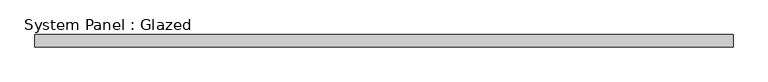
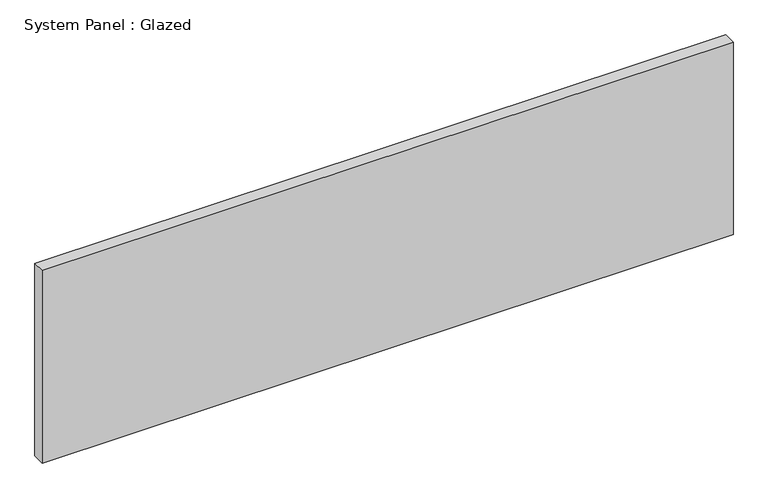
"""IFC4 building model written with IfcOpenShell, lengths in millimetres: plate geometry, System Panel : Glazed."""

from ifc_helpers import new_model, si_unit, origin, origin_with_axes, place, context, project, spatial, polyline, outline, extrude, source, transform, mapped, element, save


def system_panel_glazed_09302ae7(model_context):
    return source(origin(), model_context, "Body", "SweptSolid", [
        extrude(outline(polyline([(695.3333333, -49.5), (-695.3333333, -49.5), (-695.3333333, -24.5), (695.3333333, -24.5), (695.3333333, -49.5)])), origin_with_axes(), (0.0, 0.0, 1.0), 410.0),
    ])


if __name__ == "__main__":
    model = new_model("IFC4")
    model_context = context("Model", 3, world=origin())
    ifc_project = project(units=[si_unit("LENGTHUNIT", "METRE", prefix="MILLI")], contexts=[model_context])
    site = spatial("IfcSite", under=ifc_project)
    building = spatial("IfcBuilding", under=site)
    placement = place(None, origin())
    system_panel_glazed_shape = system_panel_glazed_09302ae7(model_context)
    element("IfcPlate", 1, ObjectType="System Panel : Glazed", at=placement, inside=building, context=model_context, shape_type="MappedRepresentation", body=[
        mapped(system_panel_glazed_shape, transform((0.0, 0.0, 0.0), x_axis=(1.0, 0.0, 0.0), y_axis=(0.0, 1.0, 0.0), z_axis=(0.0, 0.0, 1.0))),
    ])
    save(model, "model.ifc")
